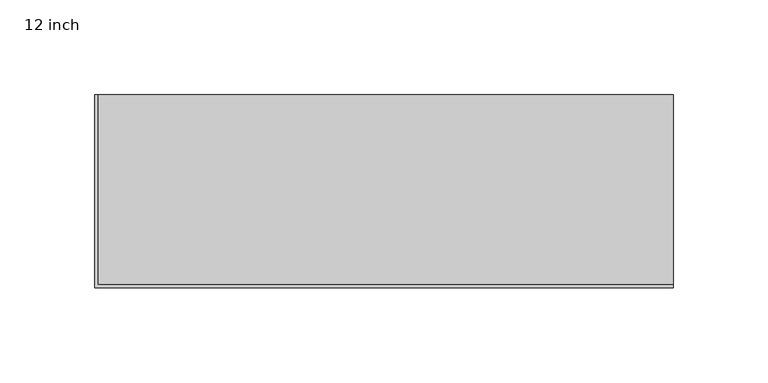
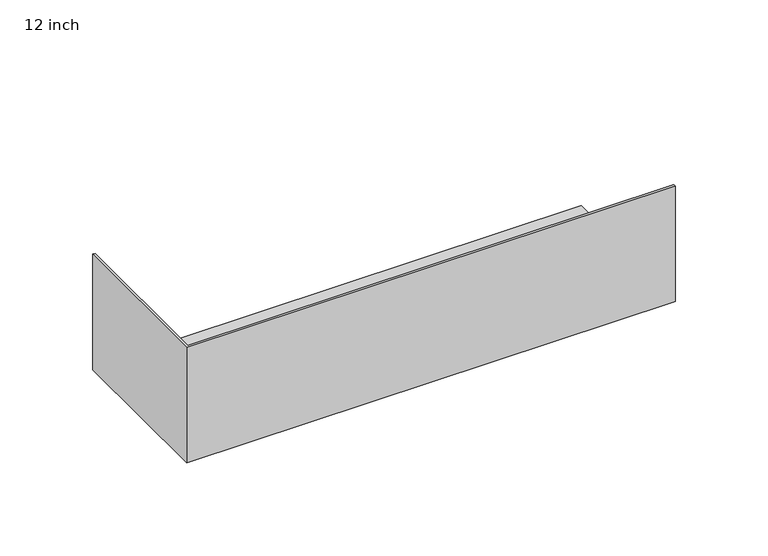
"""IFC4 building model written with IfcOpenShell, lengths in millimetres: proxy geometry, 12 inch."""

from ifc_helpers import new_model, si_unit, origin, place, context, project, spatial, faceted_brep, source, transform, mapped, element, save


def proxy_12_inch_7303c725(model_context):
    return source(origin(), model_context, "Body", "Brep", [
        faceted_brep([(304.8, 101.6, 1.5875), (1.5875, 101.6, 1.5875), (1.5875, 1.5875, 1.5875), (304.8, 1.5875, 1.5875), (304.8, 101.6, 0.0), (304.8, 0.0, 0.0), (0.0, 0.0, 0.0), (0.0, 101.6, 0.0), (0.0, 101.6, 76.2), (1.5875, 101.6, 76.2), (0.0, 0.0, 76.2), (304.8, 0.0, 76.2), (304.8, 1.5875, 76.2), (1.5875, 1.5875, 76.2)], [[[0, 1, 2, 3]], [[4, 5, 6, 7]], [[0, 4, 7, 8, 9, 1]], [[8, 7, 6, 10]], [[10, 6, 5, 11]], [[4, 0, 3, 12, 11, 5]], [[10, 11, 12, 13, 9, 8]], [[13, 12, 3, 2]], [[9, 13, 2, 1]]]),
    ])


if __name__ == "__main__":
    model = new_model("IFC4")
    model_context = context("Model", 3, world=origin())
    ifc_project = project(units=[si_unit("LENGTHUNIT", "METRE", prefix="MILLI")], contexts=[model_context])
    site = spatial("IfcSite", under=ifc_project)
    building = spatial("IfcBuilding", under=site)
    placement = place(None, origin())
    proxy_12_inch_shape = proxy_12_inch_7303c725(model_context)
    element("IfcBuildingElementProxy", 1, Name="12 inch", ObjectType="12 inch", at=placement, inside=building, context=model_context, shape_type="MappedRepresentation", body=[
        mapped(proxy_12_inch_shape, transform((0.0, 0.0, 0.0), x_axis=(1.0, 0.0, 0.0), y_axis=(0.0, 1.0, 0.0), z_axis=(0.0, 0.0, 1.0))),
    ])
    save(model, "model.ifc")
